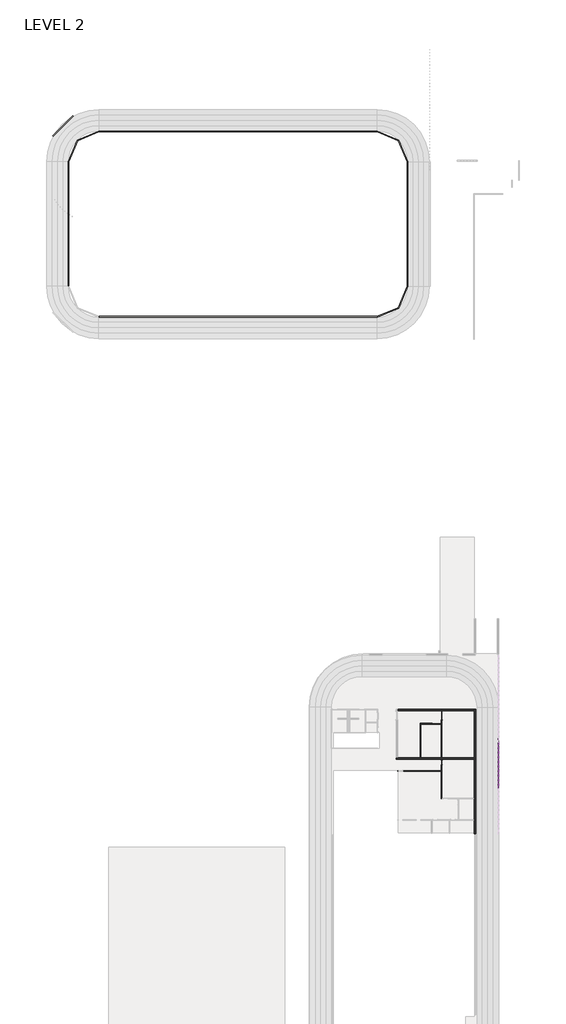
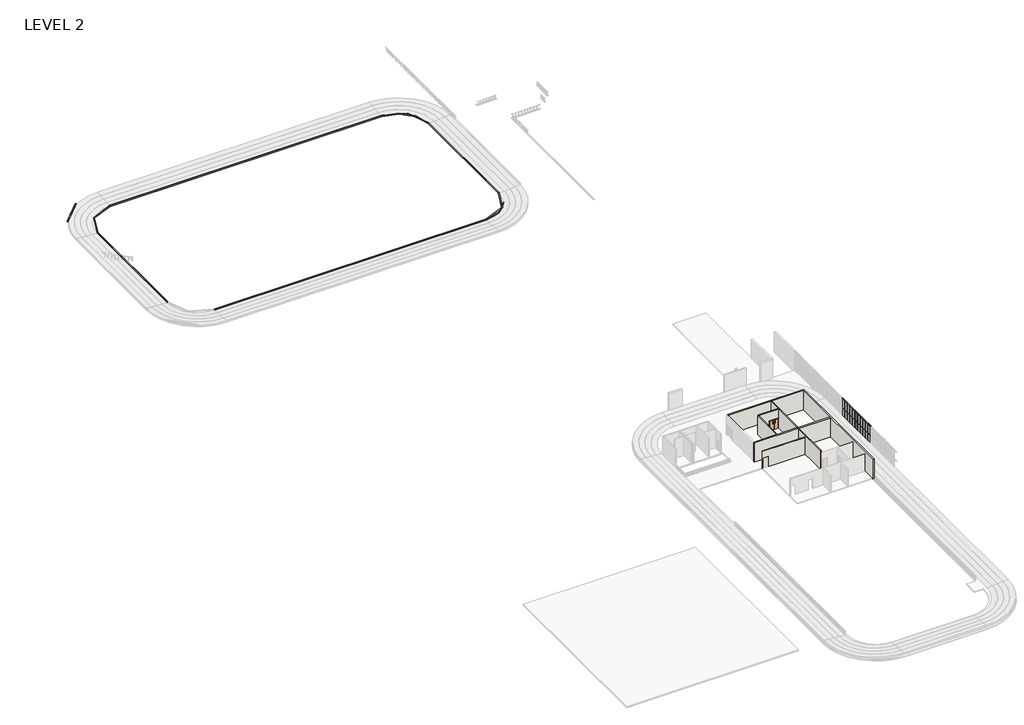
# One storey, part 12 of 16: 52 members, 22 plates, 15 walls, 3 doors.
"""IFC4 building model written with IfcOpenShell, lengths in millimetres."""

import ifcopenshell
import ifcopenshell.guid

model = None  # the IFC model being written
_history = None  # IfcOwnerHistory: only IFC2X3 demands one
_inside = {}  # id of a spatial element -> (the spatial element, [elements in it])
_under = {}  # id of a project, library or spatial element -> (it, [spatial elements below it])
_declared = {}  # id of a project -> (the project, [libraries it declares])
_typed = {}  # id of a type object -> (the type object, [elements of that type])
_made_of = {}  # id of a material, layer set ... -> (it, [elements and type objects made of it])


def new_model(schema):
    """Start an empty IFC model of exactly this schema.

    Asked for "IFC4X3", IfcOpenShell would pick the latest addendum, in which some entities
    have other attributes; the version numbers below select the first issue.
    IFC2X3 requires an IfcOwnerHistory on every rooted entity: one is made here for all.
    """
    global model, _history
    if schema == "IFC4X3":
        model = ifcopenshell.file(schema_version=(4, 3, 0, 0))
    else:
        model = ifcopenshell.file(schema=schema)
    _inside.clear()
    _under.clear()
    _declared.clear()
    _typed.clear()
    _made_of.clear()
    _history = None
    if model.schema == "IFC2X3":
        org = make("IfcOrganization", Name="unknown")
        user = make(
            "IfcPersonAndOrganization",
            ThePerson=make("IfcPerson", FamilyName="unknown"),
            TheOrganization=org,
        )
        app = make(
            "IfcApplication",
            ApplicationDeveloper=org,
            Version="unknown",
            ApplicationFullName="unknown",
            ApplicationIdentifier="unknown",
        )
        _history = make(
            "IfcOwnerHistory",
            OwningUser=user,
            OwningApplication=app,
            ChangeAction="ADDED",
            CreationDate=0,
        )
    return model


def make(cls, **values):
    """One entity of the class cls with the attributes given. An attribute that is None is left unset."""
    return model.create_entity(
        cls, **{name: value for name, value in values.items() if value is not None}
    )


def rooted(cls, **values):
    """An entity with a GlobalId (a new one), such as an element, a storey or a relation."""
    return make(cls, GlobalId=ifcopenshell.guid.new(), OwnerHistory=_history, **values)


def si_unit(unit_type, name, prefix=None):
    """IfcSIUnit, for example si_unit("LENGTHUNIT", "METRE", prefix="MILLI")."""
    return make("IfcSIUnit", UnitType=unit_type, Prefix=prefix, Name=name)


def assignment(units):
    """IfcUnitAssignment: the units of a project."""
    return None if units is None else make("IfcUnitAssignment", Units=units)


def point(xyz):
    """IfcCartesianPoint."""
    return None if xyz is None else make("IfcCartesianPoint", Coordinates=xyz)


def direction(xyz):
    """IfcDirection."""
    return None if xyz is None else make("IfcDirection", DirectionRatios=xyz)


def frame(location, z_axis=None, x_axis=None):
    """IfcAxis2Placement3D, a coordinate frame: its origin and axes. An axis left out is left unset."""
    return make(
        "IfcAxis2Placement3D",
        Location=point(location),
        Axis=direction(z_axis),
        RefDirection=direction(x_axis),
    )


def frame_2d(location, x_axis=None):
    """IfcAxis2Placement2D, a coordinate frame in the plane: its origin and x axis."""
    return make(
        "IfcAxis2Placement2D", Location=point(location), RefDirection=direction(x_axis)
    )


def origin():
    """The frame at (0, 0, 0) with its axes left unset."""
    return frame((0.0, 0.0, 0.0))


def origin_with_axes():
    """The frame at (0, 0, 0) with the z axis (0, 0, 1) and the x axis (1, 0, 0) written out."""
    return frame((0.0, 0.0, 0.0), z_axis=(0.0, 0.0, 1.0), x_axis=(1.0, 0.0, 0.0))


def place(relative_to, where):
    """IfcLocalPlacement: puts the frame where relative to a parent placement (None: the world)."""
    return make(
        "IfcLocalPlacement", PlacementRelTo=relative_to, RelativePlacement=where
    )


def context(
    kind, dimensions, precision=None, world=None, true_north=None, identifier=None
):
    """IfcGeometricRepresentationContext, for example the 3D "Model" context."""
    return make(
        "IfcGeometricRepresentationContext",
        ContextIdentifier=identifier,
        ContextType=kind,
        CoordinateSpaceDimension=dimensions,
        Precision=precision,
        WorldCoordinateSystem=world,
        TrueNorth=true_north,
    )


def project(units=None, contexts=None):
    """IfcProject with its units and contexts."""
    return rooted(
        "IfcProject",
        Name="project",
        RepresentationContexts=contexts,
        UnitsInContext=assignment(units),
    )


def spatial(cls, under=None, at=None, **own):
    """A site, building, storey or space (cls), placed at a placement, below another one or the project."""
    s = rooted(cls, ObjectPlacement=at, **own)
    if under is not None:
        _under.setdefault(under.id(), (under, []))[1].append(s)
    return s


def polyline(points):
    """IfcPolyline through the points."""
    return make("IfcPolyline", Points=[point(p) for p in points])


def circle_curve(where, radius):
    """IfcCircle in the frame where."""
    return make("IfcCircle", Position=where, Radius=radius)


def trimmed(basis, trim1, trim2, sense, master):
    """IfcTrimmedCurve: the piece of a basis curve between two trims."""
    return make(
        "IfcTrimmedCurve",
        BasisCurve=basis,
        Trim1=trim1,
        Trim2=trim2,
        SenseAgreement=sense,
        MasterRepresentation=master,
    )


def segment(curve, same_sense, transition):
    """IfcCompositeCurveSegment."""
    return make(
        "IfcCompositeCurveSegment",
        Transition=transition,
        SameSense=same_sense,
        ParentCurve=curve,
    )


def composite_curve(segments, self_intersect=None):
    """IfcCompositeCurve: segments joined end to end."""
    return make("IfcCompositeCurve", Segments=segments, SelfIntersect=self_intersect)


def outline(outer, holes=None, kind="AREA"):
    """IfcArbitraryClosedProfileDef: a profile drawn as a closed curve; with holes, ...WithVoids."""
    if holes is None:
        return make("IfcArbitraryClosedProfileDef", ProfileType=kind, OuterCurve=outer)
    return make(
        "IfcArbitraryProfileDefWithVoids",
        ProfileType=kind,
        OuterCurve=outer,
        InnerCurves=holes,
    )


def extrude(swept, where, along, depth):
    """IfcExtrudedAreaSolid: the profile swept, set in the frame where, extruded along a direction by depth."""
    return make(
        "IfcExtrudedAreaSolid",
        SweptArea=swept,
        Position=where,
        ExtrudedDirection=direction(along),
        Depth=depth,
    )


def faces_of(points, faces, orient=None, outer=None):
    """IfcFace entities. A face is a list of loops; a loop is a list of indices into points, from 0.

    orient and outer hold one flag for each loop. By default every Orientation is true, the
    first loop of a face is its IfcFaceOuterBound and the others are IfcFaceBound.
    """
    made = []
    for i, loops in enumerate(faces):
        bounds = []
        for j, loop in enumerate(loops):
            is_outer = j == 0 if outer is None else outer[i][j]
            bounds.append(
                make(
                    "IfcFaceOuterBound" if is_outer else "IfcFaceBound",
                    Bound=make("IfcPolyLoop", Polygon=[points[k] for k in loop]),
                    Orientation=True if orient is None else orient[i][j],
                )
            )
        made.append(make("IfcFace", Bounds=bounds))
    return made


def faceted_brep(points, faces, orient=None, outer=None, voids=None):
    """IfcFacetedBrep: a solid bounded by flat faces; with voids (closed shells), ...WithVoids."""
    shared = [point(p) for p in points]
    hull = make("IfcClosedShell", CfsFaces=faces_of(shared, faces, orient, outer))
    if voids is None:
        return make("IfcFacetedBrep", Outer=hull)
    return make(
        "IfcFacetedBrepWithVoids",
        Outer=hull,
        Voids=[
            make(cls, CfsFaces=faces_of(shared, fs, o, b)) for cls, fs, o, b in voids
        ],
    )


def shape(context_of_items, identifier, shape_type, items):
    """IfcShapeRepresentation: the items that make up one representation, for example the "Body"."""
    return make(
        "IfcShapeRepresentation",
        ContextOfItems=context_of_items,
        RepresentationIdentifier=identifier,
        RepresentationType=shape_type,
        Items=items,
    )


def source(mapping_origin, context_of_items, identifier, shape_type, items):
    """IfcRepresentationMap: a shape defined once, which mapped items show again and again."""
    return make(
        "IfcRepresentationMap",
        MappingOrigin=mapping_origin,
        MappedRepresentation=shape(context_of_items, identifier, shape_type, items),
    )


def transform(
    local_origin,
    x_axis=None,
    y_axis=None,
    z_axis=None,
    scale=None,
    scale2=None,
    scale3=None,
    uniform=True,
):
    """IfcCartesianTransformationOperator3D, or its non-uniform kind. x_axis, y_axis, z_axis: its Axis1, 2, 3."""
    if uniform:
        return make(
            "IfcCartesianTransformationOperator3D",
            Axis1=direction(x_axis),
            Axis2=direction(y_axis),
            LocalOrigin=point(local_origin),
            Scale=scale,
            Axis3=direction(z_axis),
        )
    return make(
        "IfcCartesianTransformationOperator3DnonUniform",
        Axis1=direction(x_axis),
        Axis2=direction(y_axis),
        LocalOrigin=point(local_origin),
        Scale=scale,
        Axis3=direction(z_axis),
        Scale2=scale2,
        Scale3=scale3,
    )


def mapped(mapping_source, mapping_target):
    """IfcMappedItem: shows the shape of a source again, moved by a transform."""
    return make(
        "IfcMappedItem", MappingSource=mapping_source, MappingTarget=mapping_target
    )


def made_of(thing, what):
    """Note that an element or type object is made of a material, layer set ...; save() writes the relation."""
    if what is not None:
        _made_of.setdefault(what.id(), (what, []))[1].append(thing)
    return thing


def element(
    cls,
    number,
    at=None,
    inside=None,
    cuts=None,
    type_object=None,
    material=None,
    context=None,
    identifier="Body",
    shape_type=None,
    held_by="IfcProductDefinitionShape",
    body=None,
    shapes=None,
    **own,
):
    """One element of the class cls, such as IfcWall. Its Tag is "e" and its number.

    at: its placement. inside: the storey or other place that contains it. cuts: it is an
    opening in that element (IfcRelVoidsElement). A single representation is given by context,
    identifier, shape_type and body (its items); several are given by shapes. held_by: the class
    of the entity that holds the representations. save() writes the other relations.
    """
    e = rooted(cls, Tag="e%d" % number, ObjectPlacement=at, **own)
    if body is not None:
        shapes = [shape(context, identifier, shape_type, body)]
    if shapes is not None:
        e.Representation = make(held_by, Representations=shapes)
    if inside is not None:
        _inside.setdefault(inside.id(), (inside, []))[1].append(e)
    if cuts is not None:
        rooted(
            "IfcRelVoidsElement", RelatingBuildingElement=cuts, RelatedOpeningElement=e
        )
    if type_object is not None:
        _typed.setdefault(type_object.id(), (type_object, []))[1].append(e)
    return made_of(e, material)


def aggregate(whole, parts):
    """IfcRelAggregates: a whole, such as a stair, and the parts it consists of."""
    return rooted("IfcRelAggregates", RelatingObject=whole, RelatedObjects=parts)


def save(model, path):
    """Write the relations noted so far, then the file.

    IfcRelAggregates (storeys below a building ...), IfcRelContainedInSpatialStructure (elements
    in a storey), IfcRelDefinesByType, IfcRelAssociatesMaterial and IfcRelDeclares: one each for
    every whole, place, type object, material and project.
    """
    for whole, parts in _under.values():
        aggregate(whole, parts)
    for where, things in _inside.values():
        rooted(
            "IfcRelContainedInSpatialStructure",
            RelatedElements=things,
            RelatingStructure=where,
        )
    for kind, things in _typed.values():
        rooted("IfcRelDefinesByType", RelatedObjects=things, RelatingType=kind)
    for what, things in _made_of.values():
        rooted("IfcRelAssociatesMaterial", RelatedObjects=things, RelatingMaterial=what)
    for by, libraries in _declared.values():
        rooted("IfcRelDeclares", RelatingContext=by, RelatedDefinitions=libraries)
    model.write(path)


def door_e7dd96ba(model_context):
    return source(origin(), model_context, "Body", "SweptSolid", [
        extrude(outline(polyline([(2133.6, 0.0), (2133.6, -863.6), (0.0, -863.6), (0.0, 0.0), (2133.6, 0.0)]), holes=[polyline([(1981.2, -279.4), (1981.2, -152.4), (1346.2, -152.4), (1346.2, -279.4), (1981.2, -279.4)])]), frame((0.0, -76.2, 0.0), z_axis=(0.0, 1.0, 0.0), x_axis=(0.0, 0.0, 1.0)), (0.0, 0.0, 1.0), 50.8),
        extrude(outline(polyline([(2133.6, 0.0), (0.0, 0.0), (0.0, 863.6), (2133.6, 863.6), (2133.6, 0.0)]), holes=[polyline([(1981.2, 279.4), (1346.2, 279.4), (1346.2, 152.4), (1981.2, 152.4), (1981.2, 279.4)])]), frame((0.0, -76.2, 0.0), z_axis=(0.0, 1.0, 0.0), x_axis=(0.0, 0.0, 1.0)), (0.0, 0.0, 1.0), 50.8),
        extrude(outline(polyline([(2133.6, -863.6), (2133.6, 863.6), (0.0, 863.6), (0.0, 939.8), (2209.8, 939.8), (2209.8, -939.8), (0.0, -939.8), (0.0, -863.6), (2133.6, -863.6)])), frame((0.0, 61.9125, 0.0), z_axis=(0.0, 1.0, 0.0), x_axis=(0.0, 0.0, 1.0)), (0.0, 0.0, 1.0), 25.4),
        extrude(outline(polyline([(2133.6, -863.6), (2133.6, 863.6), (0.0, 863.6), (0.0, 939.8), (2209.8, 939.8), (2209.8, -939.8), (0.0, -939.8), (0.0, -863.6), (2133.6, -863.6)])), frame((0.0, -87.3125, 0.0), z_axis=(0.0, 1.0, 0.0), x_axis=(0.0, 0.0, 1.0)), (0.0, 0.0, 1.0), 25.4),
    ])


def door_0c51e390(model_context):
    return source(origin(), model_context, "Body", "SweptSolid", [
        extrude(outline(polyline([(457.2, -23.8125), (457.2, -61.9125), (-457.2, -61.9125), (-457.2, -23.8125), (457.2, -23.8125)])), origin_with_axes(), (0.0, 0.0, 1.0), 2133.6),
        extrude(outline(polyline([(2184.4, -508.0), (0.0, -508.0), (0.0, -457.2), (2133.6, -457.2), (2133.6, 457.2), (0.0, 457.2), (0.0, 508.0), (2184.4, 508.0), (2184.4, -508.0)])), frame((0.0, -87.3125, 0.0), z_axis=(0.0, 1.0, 0.0), x_axis=(0.0, 0.0, 1.0)), (0.0, 0.0, 1.0), 25.4),
        extrude(outline(polyline([(2184.4, 508.0), (2184.4, -508.0), (0.0, -508.0), (0.0, -457.2), (2133.6, -457.2), (2133.6, 457.2), (0.0, 457.2), (0.0, 508.0), (2184.4, 508.0)])), frame((0.0, 61.9125, 0.0), z_axis=(0.0, 1.0, 0.0), x_axis=(0.0, 0.0, 1.0)), (0.0, 0.0, 1.0), 25.4),
    ])


def member_072f1b56(model_context):
    return source(origin(), model_context, "Body", "SweptSolid", [
        extrude(outline(polyline([(0.0, 57.15), (0.0, -57.15), (-38.1, -57.15), (-38.1, 57.15), (0.0, 57.15)])), frame((0.0, 0.0, -872.5829268), z_axis=(0.0, 0.0, 1.0), x_axis=(1.0, 0.0, 0.0)), (0.0, 0.0, 1.0), 872.5829268),
    ])


def member_8de00327(model_context):
    return source(origin(), model_context, "Body", "SweptSolid", [
        extrude(outline(polyline([(19.05, 57.15), (19.05, -57.15), (-19.05, -57.15), (-19.05, 57.15), (19.05, 57.15)])), frame((0.0, 0.0, -872.5829268), z_axis=(0.0, 0.0, 1.0), x_axis=(1.0, 0.0, 0.0)), (0.0, 0.0, 1.0), 872.5829268),
    ])


def member_20b68123(model_context):
    return source(origin(), model_context, "Body", "SweptSolid", [
        extrude(outline(polyline([(19.05, 57.15), (19.05, -57.15), (-19.05, -57.15), (-19.05, 57.15), (19.05, 57.15)])), frame((0.0, 0.0, -2133.6), z_axis=(0.0, 0.0, 1.0), x_axis=(1.0, 0.0, 0.0)), (0.0, 0.0, 1.0), 2133.6),
    ])


def member_2f7a45a5(model_context):
    return source(origin(), model_context, "Body", "SweptSolid", [
        extrude(outline(polyline([(19.05, 57.15), (19.05, -57.15), (-19.05, -57.15), (-19.05, 57.15), (19.05, 57.15)])), frame((0.0, 0.0, -1981.2), z_axis=(0.0, 0.0, 1.0), x_axis=(1.0, 0.0, 0.0)), (0.0, 0.0, 1.0), 1981.2),
    ])


def system_panel_glazed_ce3e5be7(model_context):
    return source(origin(), model_context, "Body", "SweptSolid", [
        extrude(outline(polyline([(436.2914634, 19.05), (-436.2914634, 19.05), (-436.2914634, 44.45), (436.2914634, 44.45), (436.2914634, 19.05)])), origin_with_axes(), (0.0, 0.0, 1.0), 2076.45),
    ])


def system_panel_glazed_e152a49e(model_context):
    return source(origin(), model_context, "Body", "SweptSolid", [
        extrude(outline(polyline([(436.2914634, 19.05), (-436.2914634, 19.05), (-436.2914634, 44.45), (436.2914634, 44.45), (436.2914634, 19.05)])), origin_with_axes(), (0.0, 0.0, 1.0), 1924.05),
    ])


model = new_model("IFC4")

# Units and contexts
model_context = context("Model", 3, world=origin())
ifc_project = project(units=[si_unit("LENGTHUNIT", "METRE", prefix="MILLI")], contexts=[model_context])

# Site, building, storey
site = spatial("IfcSite", under=ifc_project)
building = spatial("IfcBuilding", under=site)
storey = spatial("IfcBuildingStorey", under=building, Name="LEVEL 2", Elevation=4267.2)

# Doors
placement = place(None, origin())
door_shape = door_e7dd96ba(model_context)
element("IfcDoor", 1, ObjectType="Double-Flush view panel : 68\" x 84\"", at=placement, inside=storey, context=model_context, shape_type="MappedRepresentation", body=[
    mapped(door_shape, transform((259604.0280266, -499393.3627525, 4267.2), x_axis=(1.0, 0.0, 0.0), y_axis=(0.0, 1.0, 0.0), z_axis=(0.0, 0.0, 1.0))),
])
element("IfcDoor", 2, ObjectType="Double-Flush view panel : 68\" x 84\"", at=placement, inside=storey, context=model_context, shape_type="MappedRepresentation", body=[
    mapped(door_shape, transform((260594.6280266, -497742.3627525, 4267.2), x_axis=(0.0, 1.0, 0.0), y_axis=(-1.0, 0.0, 0.0), z_axis=(0.0, 0.0, 1.0))),
])
door_2_shape = door_0c51e390(model_context)
element("IfcDoor", 3, ObjectType="Single-Flush : 36\" x 84\"", at=placement, inside=storey, context=model_context, shape_type="MappedRepresentation", body=[
    mapped(door_2_shape, transform((260594.6280266, -507056.6485133, 4267.2), x_axis=(0.0, 1.0, 0.0), y_axis=(-1.0, 0.0, 0.0), z_axis=(0.0, 0.0, 1.0))),
])

# Members
member_shape = member_072f1b56(model_context)
element("IfcMember", 4, ObjectType="Rectangular Mullion : 1.5\" x 2.5\" rectangular", at=placement, inside=storey, context=model_context, shape_type="MappedRepresentation", body=[
    mapped(member_shape, transform((271891.2780266, -511297.1347037, 8382.0), x_axis=(0.0, 0.0, 1.0), y_axis=(1.0, 0.0, 0.0), z_axis=(0.0, 1.0, 0.0))),
])
element("IfcMember", 5, ObjectType="Rectangular Mullion : 1.5\" x 2.5\" rectangular", at=placement, inside=storey, context=model_context, shape_type="MappedRepresentation", body=[
    mapped(member_shape, transform((271891.2780266, -510386.4517769, 8382.0), x_axis=(0.0, 0.0, 1.0), y_axis=(1.0, 0.0, 0.0), z_axis=(0.0, 1.0, 0.0))),
])
element("IfcMember", 6, ObjectType="Rectangular Mullion : 1.5\" x 2.5\" rectangular", at=placement, inside=storey, context=model_context, shape_type="MappedRepresentation", body=[
    mapped(member_shape, transform((271891.2780266, -509475.7688501, 8382.0), x_axis=(0.0, 0.0, 1.0), y_axis=(1.0, 0.0, 0.0), z_axis=(0.0, 1.0, 0.0))),
])
element("IfcMember", 7, ObjectType="Rectangular Mullion : 1.5\" x 2.5\" rectangular", at=placement, inside=storey, context=model_context, shape_type="MappedRepresentation", body=[
    mapped(member_shape, transform((271891.2780266, -508565.0859232, 8382.0), x_axis=(0.0, 0.0, 1.0), y_axis=(1.0, 0.0, 0.0), z_axis=(0.0, 1.0, 0.0))),
])
element("IfcMember", 8, ObjectType="Rectangular Mullion : 1.5\" x 2.5\" rectangular", at=placement, inside=storey, context=model_context, shape_type="MappedRepresentation", body=[
    mapped(member_shape, transform((271891.2780266, -507654.4029964, 8382.0), x_axis=(0.0, 0.0, 1.0), y_axis=(1.0, 0.0, 0.0), z_axis=(0.0, 1.0, 0.0))),
])
element("IfcMember", 9, ObjectType="Rectangular Mullion : 1.5\" x 2.5\" rectangular", at=placement, inside=storey, context=model_context, shape_type="MappedRepresentation", body=[
    mapped(member_shape, transform((271891.2780266, -506743.7200696, 8382.0), x_axis=(0.0, 0.0, 1.0), y_axis=(1.0, 0.0, 0.0), z_axis=(0.0, 1.0, 0.0))),
])
element("IfcMember", 10, ObjectType="Rectangular Mullion : 1.5\" x 2.5\" rectangular", at=placement, inside=storey, context=model_context, shape_type="MappedRepresentation", body=[
    mapped(member_shape, transform((271891.2780266, -505833.0371427, 8382.0), x_axis=(0.0, 0.0, 1.0), y_axis=(1.0, 0.0, 0.0), z_axis=(0.0, 1.0, 0.0))),
])
element("IfcMember", 11, ObjectType="Rectangular Mullion : 1.5\" x 2.5\" rectangular", at=placement, inside=storey, context=model_context, shape_type="MappedRepresentation", body=[
    mapped(member_shape, transform((271891.2780266, -504922.3542159, 8382.0), x_axis=(0.0, 0.0, 1.0), y_axis=(1.0, 0.0, 0.0), z_axis=(0.0, 1.0, 0.0))),
])
element("IfcMember", 12, ObjectType="Rectangular Mullion : 1.5\" x 2.5\" rectangular", at=placement, inside=storey, context=model_context, shape_type="MappedRepresentation", body=[
    mapped(member_shape, transform((271891.2780266, -504011.6712891, 8382.0), x_axis=(0.0, 0.0, 1.0), y_axis=(1.0, 0.0, 0.0), z_axis=(0.0, 1.0, 0.0))),
])
element("IfcMember", 13, ObjectType="Rectangular Mullion : 1.5\" x 2.5\" rectangular", at=placement, inside=storey, context=model_context, shape_type="MappedRepresentation", body=[
    mapped(member_shape, transform((271891.2780266, -503100.9883622, 8382.0), x_axis=(0.0, 0.0, 1.0), y_axis=(1.0, 0.0, 0.0), z_axis=(0.0, 1.0, 0.0))),
])
element("IfcMember", 14, ObjectType="Rectangular Mullion : 1.5\" x 2.5\" rectangular", at=placement, inside=storey, context=model_context, shape_type="MappedRepresentation", body=[
    mapped(member_shape, transform((271891.2780266, -502190.3054354, 8382.0), x_axis=(0.0, 0.0, 1.0), y_axis=(1.0, 0.0, 0.0), z_axis=(0.0, 1.0, 0.0))),
])
element("IfcMember", 15, ObjectType="Rectangular Mullion : 1.5\" x 2.5\" rectangular", at=placement, inside=storey, context=model_context, shape_type="MappedRepresentation", body=[
    mapped(member_shape, transform((271891.2780266, -511259.0347037, 4267.2), x_axis=(0.0, 0.0, -1.0), y_axis=(1.0, 0.0, 0.0), z_axis=(0.0, -1.0, 0.0))),
])
element("IfcMember", 16, ObjectType="Rectangular Mullion : 1.5\" x 2.5\" rectangular", at=placement, inside=storey, context=model_context, shape_type="MappedRepresentation", body=[
    mapped(member_shape, transform((271891.2780266, -510348.3517769, 4267.2), x_axis=(0.0, 0.0, -1.0), y_axis=(1.0, 0.0, 0.0), z_axis=(0.0, -1.0, 0.0))),
])
element("IfcMember", 17, ObjectType="Rectangular Mullion : 1.5\" x 2.5\" rectangular", at=placement, inside=storey, context=model_context, shape_type="MappedRepresentation", body=[
    mapped(member_shape, transform((271891.2780266, -509437.6688501, 4267.2), x_axis=(0.0, 0.0, -1.0), y_axis=(1.0, 0.0, 0.0), z_axis=(0.0, -1.0, 0.0))),
])
element("IfcMember", 18, ObjectType="Rectangular Mullion : 1.5\" x 2.5\" rectangular", at=placement, inside=storey, context=model_context, shape_type="MappedRepresentation", body=[
    mapped(member_shape, transform((271891.2780266, -508526.9859232, 4267.2), x_axis=(0.0, 0.0, -1.0), y_axis=(1.0, 0.0, 0.0), z_axis=(0.0, -1.0, 0.0))),
])
element("IfcMember", 19, ObjectType="Rectangular Mullion : 1.5\" x 2.5\" rectangular", at=placement, inside=storey, context=model_context, shape_type="MappedRepresentation", body=[
    mapped(member_shape, transform((271891.2780266, -507616.3029964, 4267.2), x_axis=(0.0, 0.0, -1.0), y_axis=(1.0, 0.0, 0.0), z_axis=(0.0, -1.0, 0.0))),
])
element("IfcMember", 20, ObjectType="Rectangular Mullion : 1.5\" x 2.5\" rectangular", at=placement, inside=storey, context=model_context, shape_type="MappedRepresentation", body=[
    mapped(member_shape, transform((271891.2780266, -506705.6200696, 4267.2), x_axis=(0.0, 0.0, -1.0), y_axis=(1.0, 0.0, 0.0), z_axis=(0.0, -1.0, 0.0))),
])
element("IfcMember", 21, ObjectType="Rectangular Mullion : 1.5\" x 2.5\" rectangular", at=placement, inside=storey, context=model_context, shape_type="MappedRepresentation", body=[
    mapped(member_shape, transform((271891.2780266, -505794.9371427, 4267.2), x_axis=(0.0, 0.0, -1.0), y_axis=(1.0, 0.0, 0.0), z_axis=(0.0, -1.0, 0.0))),
])
element("IfcMember", 22, ObjectType="Rectangular Mullion : 1.5\" x 2.5\" rectangular", at=placement, inside=storey, context=model_context, shape_type="MappedRepresentation", body=[
    mapped(member_shape, transform((271891.2780266, -504884.2542159, 4267.2), x_axis=(0.0, 0.0, -1.0), y_axis=(1.0, 0.0, 0.0), z_axis=(0.0, -1.0, 0.0))),
])
element("IfcMember", 23, ObjectType="Rectangular Mullion : 1.5\" x 2.5\" rectangular", at=placement, inside=storey, context=model_context, shape_type="MappedRepresentation", body=[
    mapped(member_shape, transform((271891.2780266, -503973.5712891, 4267.2), x_axis=(0.0, 0.0, -1.0), y_axis=(1.0, 0.0, 0.0), z_axis=(0.0, -1.0, 0.0))),
])
element("IfcMember", 24, ObjectType="Rectangular Mullion : 1.5\" x 2.5\" rectangular", at=placement, inside=storey, context=model_context, shape_type="MappedRepresentation", body=[
    mapped(member_shape, transform((271891.2780266, -503062.8883622, 4267.2), x_axis=(0.0, 0.0, -1.0), y_axis=(1.0, 0.0, 0.0), z_axis=(0.0, -1.0, 0.0))),
])
element("IfcMember", 25, ObjectType="Rectangular Mullion : 1.5\" x 2.5\" rectangular", at=placement, inside=storey, context=model_context, shape_type="MappedRepresentation", body=[
    mapped(member_shape, transform((271891.2780266, -502152.2054354, 4267.2), x_axis=(0.0, 0.0, -1.0), y_axis=(1.0, 0.0, 0.0), z_axis=(0.0, -1.0, 0.0))),
])
member_2_shape = member_8de00327(model_context)
element("IfcMember", 26, ObjectType="Rectangular Mullion : 1.5\" x 2.5\" rectangular", at=placement, inside=storey, context=model_context, shape_type="MappedRepresentation", body=[
    mapped(member_2_shape, transform((271891.2780266, -511297.1347037, 6400.8), x_axis=(0.0, 0.0, 1.0), y_axis=(1.0, 0.0, 0.0), z_axis=(0.0, 1.0, 0.0))),
])
element("IfcMember", 27, ObjectType="Rectangular Mullion : 1.5\" x 2.5\" rectangular", at=placement, inside=storey, context=model_context, shape_type="MappedRepresentation", body=[
    mapped(member_2_shape, transform((271891.2780266, -510386.4517769, 6400.8), x_axis=(0.0, 0.0, 1.0), y_axis=(1.0, 0.0, 0.0), z_axis=(0.0, 1.0, 0.0))),
])
element("IfcMember", 28, ObjectType="Rectangular Mullion : 1.5\" x 2.5\" rectangular", at=placement, inside=storey, context=model_context, shape_type="MappedRepresentation", body=[
    mapped(member_2_shape, transform((271891.2780266, -509475.7688501, 6400.8), x_axis=(0.0, 0.0, 1.0), y_axis=(1.0, 0.0, 0.0), z_axis=(0.0, 1.0, 0.0))),
])
element("IfcMember", 29, ObjectType="Rectangular Mullion : 1.5\" x 2.5\" rectangular", at=placement, inside=storey, context=model_context, shape_type="MappedRepresentation", body=[
    mapped(member_2_shape, transform((271891.2780266, -508565.0859232, 6400.8), x_axis=(0.0, 0.0, 1.0), y_axis=(1.0, 0.0, 0.0), z_axis=(0.0, 1.0, 0.0))),
])
element("IfcMember", 30, ObjectType="Rectangular Mullion : 1.5\" x 2.5\" rectangular", at=placement, inside=storey, context=model_context, shape_type="MappedRepresentation", body=[
    mapped(member_2_shape, transform((271891.2780266, -507654.4029964, 6400.8), x_axis=(0.0, 0.0, 1.0), y_axis=(1.0, 0.0, 0.0), z_axis=(0.0, 1.0, 0.0))),
])
element("IfcMember", 31, ObjectType="Rectangular Mullion : 1.5\" x 2.5\" rectangular", at=placement, inside=storey, context=model_context, shape_type="MappedRepresentation", body=[
    mapped(member_2_shape, transform((271891.2780266, -506743.7200696, 6400.8), x_axis=(0.0, 0.0, 1.0), y_axis=(1.0, 0.0, 0.0), z_axis=(0.0, 1.0, 0.0))),
])
element("IfcMember", 32, ObjectType="Rectangular Mullion : 1.5\" x 2.5\" rectangular", at=placement, inside=storey, context=model_context, shape_type="MappedRepresentation", body=[
    mapped(member_2_shape, transform((271891.2780266, -505833.0371427, 6400.8), x_axis=(0.0, 0.0, 1.0), y_axis=(1.0, 0.0, 0.0), z_axis=(0.0, 1.0, 0.0))),
])
element("IfcMember", 33, ObjectType="Rectangular Mullion : 1.5\" x 2.5\" rectangular", at=placement, inside=storey, context=model_context, shape_type="MappedRepresentation", body=[
    mapped(member_2_shape, transform((271891.2780266, -504922.3542159, 6400.8), x_axis=(0.0, 0.0, 1.0), y_axis=(1.0, 0.0, 0.0), z_axis=(0.0, 1.0, 0.0))),
])
element("IfcMember", 34, ObjectType="Rectangular Mullion : 1.5\" x 2.5\" rectangular", at=placement, inside=storey, context=model_context, shape_type="MappedRepresentation", body=[
    mapped(member_2_shape, transform((271891.2780266, -504011.6712891, 6400.8), x_axis=(0.0, 0.0, 1.0), y_axis=(1.0, 0.0, 0.0), z_axis=(0.0, 1.0, 0.0))),
])
element("IfcMember", 35, ObjectType="Rectangular Mullion : 1.5\" x 2.5\" rectangular", at=placement, inside=storey, context=model_context, shape_type="MappedRepresentation", body=[
    mapped(member_2_shape, transform((271891.2780266, -503100.9883622, 6400.8), x_axis=(0.0, 0.0, 1.0), y_axis=(1.0, 0.0, 0.0), z_axis=(0.0, 1.0, 0.0))),
])
member_3_shape = member_20b68123(model_context)
element("IfcMember", 36, ObjectType="Rectangular Mullion : 1.5\" x 2.5\" rectangular", at=placement, inside=storey, context=model_context, shape_type="MappedRepresentation", body=[
    mapped(member_3_shape, transform((271891.2780266, -511278.0847037, 4267.2), x_axis=(0.0, 1.0, 0.0), y_axis=(1.0, 0.0, 0.0), z_axis=(0.0, 0.0, -1.0))),
])
element("IfcMember", 37, ObjectType="Rectangular Mullion : 1.5\" x 2.5\" rectangular", at=placement, inside=storey, context=model_context, shape_type="MappedRepresentation", body=[
    mapped(member_3_shape, transform((271891.2780266, -510367.4017769, 4267.2), x_axis=(0.0, 1.0, 0.0), y_axis=(1.0, 0.0, 0.0), z_axis=(0.0, 0.0, -1.0))),
])
element("IfcMember", 38, ObjectType="Rectangular Mullion : 1.5\" x 2.5\" rectangular", at=placement, inside=storey, context=model_context, shape_type="MappedRepresentation", body=[
    mapped(member_3_shape, transform((271891.2780266, -509456.7188501, 4267.2), x_axis=(0.0, 1.0, 0.0), y_axis=(1.0, 0.0, 0.0), z_axis=(0.0, 0.0, -1.0))),
])
element("IfcMember", 39, ObjectType="Rectangular Mullion : 1.5\" x 2.5\" rectangular", at=placement, inside=storey, context=model_context, shape_type="MappedRepresentation", body=[
    mapped(member_3_shape, transform((271891.2780266, -508546.0359232, 4267.2), x_axis=(0.0, 1.0, 0.0), y_axis=(1.0, 0.0, 0.0), z_axis=(0.0, 0.0, -1.0))),
])
element("IfcMember", 40, ObjectType="Rectangular Mullion : 1.5\" x 2.5\" rectangular", at=placement, inside=storey, context=model_context, shape_type="MappedRepresentation", body=[
    mapped(member_3_shape, transform((271891.2780266, -507635.3529964, 4267.2), x_axis=(0.0, 1.0, 0.0), y_axis=(1.0, 0.0, 0.0), z_axis=(0.0, 0.0, -1.0))),
])
element("IfcMember", 41, ObjectType="Rectangular Mullion : 1.5\" x 2.5\" rectangular", at=placement, inside=storey, context=model_context, shape_type="MappedRepresentation", body=[
    mapped(member_3_shape, transform((271891.2780266, -506724.6700696, 4267.2), x_axis=(0.0, 1.0, 0.0), y_axis=(1.0, 0.0, 0.0), z_axis=(0.0, 0.0, -1.0))),
])
element("IfcMember", 42, ObjectType="Rectangular Mullion : 1.5\" x 2.5\" rectangular", at=placement, inside=storey, context=model_context, shape_type="MappedRepresentation", body=[
    mapped(member_3_shape, transform((271891.2780266, -505813.9871427, 4267.2), x_axis=(0.0, 1.0, 0.0), y_axis=(1.0, 0.0, 0.0), z_axis=(0.0, 0.0, -1.0))),
])
element("IfcMember", 43, ObjectType="Rectangular Mullion : 1.5\" x 2.5\" rectangular", at=placement, inside=storey, context=model_context, shape_type="MappedRepresentation", body=[
    mapped(member_3_shape, transform((271891.2780266, -504903.3042159, 4267.2), x_axis=(0.0, 1.0, 0.0), y_axis=(1.0, 0.0, 0.0), z_axis=(0.0, 0.0, -1.0))),
])
element("IfcMember", 44, ObjectType="Rectangular Mullion : 1.5\" x 2.5\" rectangular", at=placement, inside=storey, context=model_context, shape_type="MappedRepresentation", body=[
    mapped(member_3_shape, transform((271891.2780266, -503992.6212891, 4267.2), x_axis=(0.0, 1.0, 0.0), y_axis=(1.0, 0.0, 0.0), z_axis=(0.0, 0.0, -1.0))),
])
element("IfcMember", 45, ObjectType="Rectangular Mullion : 1.5\" x 2.5\" rectangular", at=placement, inside=storey, context=model_context, shape_type="MappedRepresentation", body=[
    mapped(member_3_shape, transform((271891.2780266, -503081.9383622, 4267.2), x_axis=(0.0, 1.0, 0.0), y_axis=(1.0, 0.0, 0.0), z_axis=(0.0, 0.0, -1.0))),
])
member_4_shape = member_2f7a45a5(model_context)
element("IfcMember", 46, ObjectType="Rectangular Mullion : 1.5\" x 2.5\" rectangular", at=placement, inside=storey, context=model_context, shape_type="MappedRepresentation", body=[
    mapped(member_4_shape, transform((271891.2780266, -511278.0847037, 6400.8), x_axis=(0.0, 1.0, 0.0), y_axis=(1.0, 0.0, 0.0), z_axis=(0.0, 0.0, -1.0))),
])
element("IfcMember", 47, ObjectType="Rectangular Mullion : 1.5\" x 2.5\" rectangular", at=placement, inside=storey, context=model_context, shape_type="MappedRepresentation", body=[
    mapped(member_4_shape, transform((271891.2780266, -510367.4017769, 6400.8), x_axis=(0.0, 1.0, 0.0), y_axis=(1.0, 0.0, 0.0), z_axis=(0.0, 0.0, -1.0))),
])
element("IfcMember", 48, ObjectType="Rectangular Mullion : 1.5\" x 2.5\" rectangular", at=placement, inside=storey, context=model_context, shape_type="MappedRepresentation", body=[
    mapped(member_4_shape, transform((271891.2780266, -509456.7188501, 6400.8), x_axis=(0.0, 1.0, 0.0), y_axis=(1.0, 0.0, 0.0), z_axis=(0.0, 0.0, -1.0))),
])
element("IfcMember", 49, ObjectType="Rectangular Mullion : 1.5\" x 2.5\" rectangular", at=placement, inside=storey, context=model_context, shape_type="MappedRepresentation", body=[
    mapped(member_4_shape, transform((271891.2780266, -508546.0359232, 6400.8), x_axis=(0.0, 1.0, 0.0), y_axis=(1.0, 0.0, 0.0), z_axis=(0.0, 0.0, -1.0))),
])
element("IfcMember", 50, ObjectType="Rectangular Mullion : 1.5\" x 2.5\" rectangular", at=placement, inside=storey, context=model_context, shape_type="MappedRepresentation", body=[
    mapped(member_4_shape, transform((271891.2780266, -507635.3529964, 6400.8), x_axis=(0.0, 1.0, 0.0), y_axis=(1.0, 0.0, 0.0), z_axis=(0.0, 0.0, -1.0))),
])
element("IfcMember", 51, ObjectType="Rectangular Mullion : 1.5\" x 2.5\" rectangular", at=placement, inside=storey, context=model_context, shape_type="MappedRepresentation", body=[
    mapped(member_4_shape, transform((271891.2780266, -506724.6700696, 6400.8), x_axis=(0.0, 1.0, 0.0), y_axis=(1.0, 0.0, 0.0), z_axis=(0.0, 0.0, -1.0))),
])
element("IfcMember", 52, ObjectType="Rectangular Mullion : 1.5\" x 2.5\" rectangular", at=placement, inside=storey, context=model_context, shape_type="MappedRepresentation", body=[
    mapped(member_4_shape, transform((271891.2780266, -505813.9871427, 6400.8), x_axis=(0.0, 1.0, 0.0), y_axis=(1.0, 0.0, 0.0), z_axis=(0.0, 0.0, -1.0))),
])
element("IfcMember", 53, ObjectType="Rectangular Mullion : 1.5\" x 2.5\" rectangular", at=placement, inside=storey, context=model_context, shape_type="MappedRepresentation", body=[
    mapped(member_4_shape, transform((271891.2780266, -504903.3042159, 6400.8), x_axis=(0.0, 1.0, 0.0), y_axis=(1.0, 0.0, 0.0), z_axis=(0.0, 0.0, -1.0))),
])
element("IfcMember", 54, ObjectType="Rectangular Mullion : 1.5\" x 2.5\" rectangular", at=placement, inside=storey, context=model_context, shape_type="MappedRepresentation", body=[
    mapped(member_4_shape, transform((271891.2780266, -503992.6212891, 6400.8), x_axis=(0.0, 1.0, 0.0), y_axis=(1.0, 0.0, 0.0), z_axis=(0.0, 0.0, -1.0))),
])
element("IfcMember", 55, ObjectType="Rectangular Mullion : 1.5\" x 2.5\" rectangular", at=placement, inside=storey, context=model_context, shape_type="MappedRepresentation", body=[
    mapped(member_4_shape, transform((271891.2780266, -503081.9383622, 6400.8), x_axis=(0.0, 1.0, 0.0), y_axis=(1.0, 0.0, 0.0), z_axis=(0.0, 0.0, -1.0))),
])

# Plates
system_panel_glazed_shape = system_panel_glazed_ce3e5be7(model_context)
element("IfcPlate", 56, ObjectType="System Panel : Glazed", at=placement, inside=storey, context=model_context, shape_type="MappedRepresentation", body=[
    mapped(system_panel_glazed_shape, transform((271891.2780266, -511733.4261671, 4305.3), x_axis=(0.0, 1.0, 0.0), y_axis=(-1.0, 0.0, 0.0), z_axis=(0.0, 0.0, 1.0))),
])
element("IfcPlate", 57, ObjectType="System Panel : Glazed", at=placement, inside=storey, context=model_context, shape_type="MappedRepresentation", body=[
    mapped(system_panel_glazed_shape, transform((271891.2780266, -510822.7432403, 4305.3), x_axis=(0.0, 1.0, 0.0), y_axis=(-1.0, 0.0, 0.0), z_axis=(0.0, 0.0, 1.0))),
])
element("IfcPlate", 58, ObjectType="System Panel : Glazed", at=placement, inside=storey, context=model_context, shape_type="MappedRepresentation", body=[
    mapped(system_panel_glazed_shape, transform((271891.2780266, -509912.0603135, 4305.3), x_axis=(0.0, 1.0, 0.0), y_axis=(-1.0, 0.0, 0.0), z_axis=(0.0, 0.0, 1.0))),
])
element("IfcPlate", 59, ObjectType="System Panel : Glazed", at=placement, inside=storey, context=model_context, shape_type="MappedRepresentation", body=[
    mapped(system_panel_glazed_shape, transform((271891.2780266, -509001.3773866, 4305.3), x_axis=(0.0, 1.0, 0.0), y_axis=(-1.0, 0.0, 0.0), z_axis=(0.0, 0.0, 1.0))),
])
element("IfcPlate", 60, ObjectType="System Panel : Glazed", at=placement, inside=storey, context=model_context, shape_type="MappedRepresentation", body=[
    mapped(system_panel_glazed_shape, transform((271891.2780266, -508090.6944598, 4305.3), x_axis=(0.0, 1.0, 0.0), y_axis=(-1.0, 0.0, 0.0), z_axis=(0.0, 0.0, 1.0))),
])
element("IfcPlate", 61, ObjectType="System Panel : Glazed", at=placement, inside=storey, context=model_context, shape_type="MappedRepresentation", body=[
    mapped(system_panel_glazed_shape, transform((271891.2780266, -507180.011533, 4305.3), x_axis=(0.0, 1.0, 0.0), y_axis=(-1.0, 0.0, 0.0), z_axis=(0.0, 0.0, 1.0))),
])
element("IfcPlate", 62, ObjectType="System Panel : Glazed", at=placement, inside=storey, context=model_context, shape_type="MappedRepresentation", body=[
    mapped(system_panel_glazed_shape, transform((271891.2780266, -506269.3286062, 4305.3), x_axis=(0.0, 1.0, 0.0), y_axis=(-1.0, 0.0, 0.0), z_axis=(0.0, 0.0, 1.0))),
])
element("IfcPlate", 63, ObjectType="System Panel : Glazed", at=placement, inside=storey, context=model_context, shape_type="MappedRepresentation", body=[
    mapped(system_panel_glazed_shape, transform((271891.2780266, -505358.6456793, 4305.3), x_axis=(0.0, 1.0, 0.0), y_axis=(-1.0, 0.0, 0.0), z_axis=(0.0, 0.0, 1.0))),
])
element("IfcPlate", 64, ObjectType="System Panel : Glazed", at=placement, inside=storey, context=model_context, shape_type="MappedRepresentation", body=[
    mapped(system_panel_glazed_shape, transform((271891.2780266, -504447.9627525, 4305.3), x_axis=(0.0, 1.0, 0.0), y_axis=(-1.0, 0.0, 0.0), z_axis=(0.0, 0.0, 1.0))),
])
element("IfcPlate", 65, ObjectType="System Panel : Glazed", at=placement, inside=storey, context=model_context, shape_type="MappedRepresentation", body=[
    mapped(system_panel_glazed_shape, transform((271891.2780266, -503537.2798257, 4305.3), x_axis=(0.0, 1.0, 0.0), y_axis=(-1.0, 0.0, 0.0), z_axis=(0.0, 0.0, 1.0))),
])
element("IfcPlate", 66, ObjectType="System Panel : Glazed", at=placement, inside=storey, context=model_context, shape_type="MappedRepresentation", body=[
    mapped(system_panel_glazed_shape, transform((271891.2780266, -502626.5968988, 4305.3), x_axis=(0.0, 1.0, 0.0), y_axis=(-1.0, 0.0, 0.0), z_axis=(0.0, 0.0, 1.0))),
])
system_panel_glazed_2_shape = system_panel_glazed_e152a49e(model_context)
element("IfcPlate", 67, ObjectType="System Panel : Glazed", at=placement, inside=storey, context=model_context, shape_type="MappedRepresentation", body=[
    mapped(system_panel_glazed_2_shape, transform((271891.2780266, -511733.4261671, 6419.85), x_axis=(0.0, 1.0, 0.0), y_axis=(-1.0, 0.0, 0.0), z_axis=(0.0, 0.0, 1.0))),
])
element("IfcPlate", 68, ObjectType="System Panel : Glazed", at=placement, inside=storey, context=model_context, shape_type="MappedRepresentation", body=[
    mapped(system_panel_glazed_2_shape, transform((271891.2780266, -510822.7432403, 6419.85), x_axis=(0.0, 1.0, 0.0), y_axis=(-1.0, 0.0, 0.0), z_axis=(0.0, 0.0, 1.0))),
])
element("IfcPlate", 69, ObjectType="System Panel : Glazed", at=placement, inside=storey, context=model_context, shape_type="MappedRepresentation", body=[
    mapped(system_panel_glazed_2_shape, transform((271891.2780266, -509912.0603135, 6419.85), x_axis=(0.0, 1.0, 0.0), y_axis=(-1.0, 0.0, 0.0), z_axis=(0.0, 0.0, 1.0))),
])
element("IfcPlate", 70, ObjectType="System Panel : Glazed", at=placement, inside=storey, context=model_context, shape_type="MappedRepresentation", body=[
    mapped(system_panel_glazed_2_shape, transform((271891.2780266, -509001.3773866, 6419.85), x_axis=(0.0, 1.0, 0.0), y_axis=(-1.0, 0.0, 0.0), z_axis=(0.0, 0.0, 1.0))),
])
element("IfcPlate", 71, ObjectType="System Panel : Glazed", at=placement, inside=storey, context=model_context, shape_type="MappedRepresentation", body=[
    mapped(system_panel_glazed_2_shape, transform((271891.2780266, -508090.6944598, 6419.85), x_axis=(0.0, 1.0, 0.0), y_axis=(-1.0, 0.0, 0.0), z_axis=(0.0, 0.0, 1.0))),
])
element("IfcPlate", 72, ObjectType="System Panel : Glazed", at=placement, inside=storey, context=model_context, shape_type="MappedRepresentation", body=[
    mapped(system_panel_glazed_2_shape, transform((271891.2780266, -507180.011533, 6419.85), x_axis=(0.0, 1.0, 0.0), y_axis=(-1.0, 0.0, 0.0), z_axis=(0.0, 0.0, 1.0))),
])
element("IfcPlate", 73, ObjectType="System Panel : Glazed", at=placement, inside=storey, context=model_context, shape_type="MappedRepresentation", body=[
    mapped(system_panel_glazed_2_shape, transform((271891.2780266, -506269.3286062, 6419.85), x_axis=(0.0, 1.0, 0.0), y_axis=(-1.0, 0.0, 0.0), z_axis=(0.0, 0.0, 1.0))),
])
element("IfcPlate", 74, ObjectType="System Panel : Glazed", at=placement, inside=storey, context=model_context, shape_type="MappedRepresentation", body=[
    mapped(system_panel_glazed_2_shape, transform((271891.2780266, -505358.6456793, 6419.85), x_axis=(0.0, 1.0, 0.0), y_axis=(-1.0, 0.0, 0.0), z_axis=(0.0, 0.0, 1.0))),
])
element("IfcPlate", 75, ObjectType="System Panel : Glazed", at=placement, inside=storey, context=model_context, shape_type="MappedRepresentation", body=[
    mapped(system_panel_glazed_2_shape, transform((271891.2780266, -504447.9627525, 6419.85), x_axis=(0.0, 1.0, 0.0), y_axis=(-1.0, 0.0, 0.0), z_axis=(0.0, 0.0, 1.0))),
])
element("IfcPlate", 76, ObjectType="System Panel : Glazed", at=placement, inside=storey, context=model_context, shape_type="MappedRepresentation", body=[
    mapped(system_panel_glazed_2_shape, transform((271891.2780266, -503537.2798257, 6419.85), x_axis=(0.0, 1.0, 0.0), y_axis=(-1.0, 0.0, 0.0), z_axis=(0.0, 0.0, 1.0))),
])
element("IfcPlate", 77, ObjectType="System Panel : Glazed", at=placement, inside=storey, context=model_context, shape_type="MappedRepresentation", body=[
    mapped(system_panel_glazed_2_shape, transform((271891.2780266, -502626.5968988, 6419.85), x_axis=(0.0, 1.0, 0.0), y_axis=(-1.0, 0.0, 0.0), z_axis=(0.0, 0.0, 1.0))),
])

# Walls
element("IfcWall", 78, ObjectType="FC - Basic Interior", at=placement, inside=storey, context=model_context, shape_type="Brep", body=[
    faceted_brep([(256341.7155266, -499331.4502525, 4267.2), (256341.7155266, -506087.8502525, 4267.2), (256341.7155266, -506087.8502525, 8382.0), (256341.7155266, -499331.4502525, 8382.0), (256465.5405266, -499331.4502525, 4267.2), (256465.5405266, -499331.4502525, 8382.0), (256465.5405266, -499455.2752525, 8382.0), (256465.5405266, -506087.8502525, 8382.0), (256465.5405266, -506087.8502525, 4267.2), (256465.5405266, -499455.2752525, 4267.2)], [[[0, 1, 2, 3]], [[4, 5, 6, 7, 8, 9]], [[1, 0, 4, 9, 8]], [[3, 2, 7, 6, 5]], [[0, 3, 5, 4]], [[2, 1, 8, 7]]]),
])
element("IfcWall", 79, ObjectType="FC - Basic Interior", at=placement, inside=storey, context=model_context, shape_type="SweptSolid", body=[
    extrude(outline(polyline([(8382.0, 260532.7155266), (8382.0, 256465.5405266), (4267.2, 256465.5405266), (4267.2, 258740.4280266), (6400.8, 258740.4280266), (6400.8, 260467.6280266), (4267.2, 260467.6280266), (4267.2, 260532.7155266), (8382.0, 260532.7155266)])), frame((0.0, -499455.2752525, 0.0), z_axis=(0.0, 1.0, 0.0), x_axis=(0.0, 0.0, 1.0)), (0.0, 0.0, 1.0), 123.825),
])
element("IfcWall", 80, ObjectType="FC - Basic Interior", at=placement, inside=storey, context=model_context, shape_type="Brep", body=[
    faceted_brep([(260656.5405266, -496802.5627525, 4267.2), (260656.5405266, -496802.5627525, 8382.0), (260656.5405266, -506087.8502525, 8382.0), (260656.5405266, -506087.8502525, 4267.2), (260656.5405266, -498605.9627525, 4267.2), (260656.5405266, -498605.9627525, 6400.8), (260656.5405266, -496878.7627525, 6400.8), (260656.5405266, -496878.7627525, 4267.2), (260532.7155266, -496802.5627525, 8382.0), (260532.7155266, -496802.5627525, 4267.2), (260532.7155266, -496878.7627525, 4267.2), (260532.7155266, -496878.7627525, 6400.8), (260532.7155266, -498605.9627525, 6400.8), (260532.7155266, -498605.9627525, 4267.2), (260532.7155266, -506087.8502525, 4267.2), (260532.7155266, -506087.8502525, 8382.0)], [[[0, 1, 2, 3, 4, 5, 6, 7]], [[8, 9, 10, 11, 12, 13, 14, 15]], [[9, 0, 7, 10]], [[13, 4, 3, 14]], [[1, 8, 15, 2]], [[1, 0, 9, 8]], [[6, 11, 10, 7]], [[11, 6, 5, 12]], [[12, 5, 4, 13]], [[3, 2, 15, 14]]]),
    faceted_brep([(260656.5405266, -514281.3610133, 8382.0), (260656.5405266, -514281.3610133, 7924.8), (260656.5405266, -514281.3610133, 4267.2), (260656.5405266, -514157.5360133, 4267.2), (260656.5405266, -507513.8485133, 4267.2), (260656.5405266, -507513.8485133, 6400.8), (260656.5405266, -506599.4485133, 6400.8), (260656.5405266, -506599.4485133, 4267.2), (260656.5405266, -506392.6502525, 4267.2), (260656.5405266, -506392.6502525, 8382.0), (260532.7155266, -514281.3610133, 4267.2), (260532.7155266, -514281.3610133, 8382.0), (260532.7155266, -506392.6502525, 8382.0), (260532.7155266, -506392.6502525, 4267.2), (260532.7155266, -506599.4485133, 4267.2), (260532.7155266, -506599.4485133, 6400.8), (260532.7155266, -507513.8485133, 6400.8), (260532.7155266, -507513.8485133, 4267.2), (260532.7155266, -508671.1360133, 4267.2), (260532.7155266, -508794.9610133, 4267.2)], [[[0, 1, 2, 3, 4, 5, 6, 7, 8, 9]], [[10, 11, 12, 13, 14, 15, 16, 17, 18, 19]], [[2, 10, 19, 18, 17, 4, 3]], [[7, 14, 13, 8]], [[11, 0, 9, 12]], [[9, 8, 13, 12]], [[2, 1, 0, 11, 10]], [[15, 14, 7, 6]], [[16, 15, 6, 5]], [[17, 16, 5, 4]]]),
])
element("IfcWall", 81, ObjectType="FC - Basic Interior", at=placement, inside=storey, context=model_context, shape_type="Brep", body=[
    faceted_brep([(251865.898562, -508794.9610133, 4267.2), (252018.298562, -508794.9610133, 4267.2), (252018.298562, -508794.9610133, 6400.8), (252932.698562, -508794.9610133, 6400.8), (252932.698562, -508794.9610133, 4267.2), (260532.7155266, -508794.9610133, 4267.2), (260532.7155266, -508794.9610133, 7924.8), (251865.898562, -508794.9610133, 7924.8), (252018.298562, -508671.1360133, 6400.8), (252018.298562, -508671.1360133, 4267.2), (251865.898562, -508671.1360133, 4267.2), (251865.898562, -508671.1360133, 7924.8), (260532.7155266, -508671.1360133, 7924.8), (260532.7155266, -508671.1360133, 4267.2), (252932.698562, -508671.1360133, 4267.2), (252932.698562, -508671.1360133, 6400.8), (251865.898562, -508721.9360133, 4267.2)], [[[0, 1, 2, 3, 4, 5, 6, 7]], [[8, 9, 10, 11, 12, 13, 14, 15]], [[14, 13, 5, 4]], [[10, 9, 1, 0, 16]], [[7, 6, 12, 11]], [[0, 7, 11, 10, 16]], [[6, 5, 13, 12]], [[2, 1, 9, 8]], [[3, 2, 8, 15]], [[4, 3, 15, 14]]]),
])
element("IfcWall", 82, ObjectType="FC - Exterior", at=placement, inside=storey, context=model_context, shape_type="Brep", body=[
    faceted_brep([(267071.6280266, -496497.7627525, 4267.2), (267071.6280266, -496802.5627525, 4267.2), (267071.6280266, -521218.7360133, 4267.2), (267071.6280266, -521218.7360133, 8382.0), (267071.6280266, -496802.5627525, 8382.0), (267071.6280266, -496497.7627525, 8382.0), (267376.4280266, -496497.7627525, 4267.2), (267376.4280266, -496497.7627525, 8382.0), (267376.4280266, -521218.7360133, 8382.0), (267376.4280266, -521218.7360133, 4267.2)], [[[0, 1, 2, 3, 4, 5]], [[6, 7, 8, 9]], [[2, 1, 0, 6, 9]], [[3, 2, 9, 8]], [[5, 4, 3, 8, 7]], [[0, 5, 7, 6]]]),
])
element("IfcWall", 83, ObjectType="FC - Exterior", at=placement, inside=storey, context=model_context, shape_type="Brep", body=[
    faceted_brep([(267071.6280266, -506087.8502525, 4267.2), (260656.5405266, -506087.8502525, 4267.2), (260532.7155266, -506087.8502525, 4267.2), (256465.5405266, -506087.8502525, 4267.2), (256341.7155266, -506087.8502525, 4267.2), (251865.898562, -506087.8502525, 4267.2), (251561.098562, -506087.8502525, 4267.2), (251561.098562, -506087.8502525, 8382.0), (251865.898562, -506087.8502525, 8382.0), (256341.7155266, -506087.8502525, 8382.0), (256465.5405266, -506087.8502525, 8382.0), (260532.7155266, -506087.8502525, 8382.0), (260656.5405266, -506087.8502525, 8382.0), (267071.6280266, -506087.8502525, 8382.0), (267071.6280266, -506392.6502525, 4267.2), (267071.6280266, -506392.6502525, 8382.0), (260656.5405266, -506392.6502525, 8382.0), (260532.7155266, -506392.6502525, 8382.0), (251561.098562, -506392.6502525, 8382.0), (251561.098562, -506392.6502525, 4267.2), (260532.7155266, -506392.6502525, 4267.2), (260656.5405266, -506392.6502525, 4267.2)], [[[0, 1, 2, 3, 4, 5, 6, 7, 8, 9, 10, 11, 12, 13]], [[14, 15, 16, 17, 18, 19, 20, 21]], [[6, 5, 4, 3, 2, 1, 0, 14, 21, 20, 19]], [[13, 12, 11, 10, 9, 8, 7, 18, 17, 16, 15]], [[0, 13, 15, 14]], [[7, 6, 19, 18]]]),
])
element("IfcWall", 84, ObjectType="FC - Exterior", at=placement, inside=storey, context=model_context, shape_type="SweptSolid", body=[
    extrude(outline(polyline([(267071.6280266, -496802.5627525), (251865.898562, -496802.5627525), (251865.898562, -496497.7627525), (267071.6280266, -496497.7627525), (267071.6280266, -496802.5627525)])), frame((0.0, 0.0, 4267.2), z_axis=(0.0, 0.0, 1.0), x_axis=(1.0, 0.0, 0.0)), (0.0, 0.0, 1.0), 4114.8),
])
element("IfcWall", 85, ObjectType="FC - Track Curb", at=placement, inside=storey, context=model_context, shape_type="SweptSolid", body=[
    extrude(outline(polyline([(247797.4254676, -382042.2080223), (192628.6254676, -382042.2080223), (192628.6254676, -381889.8080223), (247797.4254676, -381889.8080223), (247797.4254676, -382042.2080223)])), frame((0.0, 0.0, 4419.6), z_axis=(0.0, 0.0, 1.0), x_axis=(1.0, 0.0, 0.0)), (0.0, 0.0, 1.0), 152.4),
])
element("IfcWall", 86, ObjectType="FC - Track Curb", at=placement, inside=storey, context=model_context, shape_type="SweptSolid", body=[
    extrude(outline(composite_curve([segment(polyline([(253893.4254676, -387985.8080223), (253741.0254676, -387985.8080223)]), True, "CONTINUOUS"), segment(trimmed(circle_curve(frame_2d((247797.4254676, -387985.8080223)), 5943.6), [point((253741.0254676, -387985.8080223))], [point((247797.4254676, -382042.2080223))], True, "CARTESIAN"), True, "CONTINUOUS"), segment(polyline([(247797.4254676, -382042.2080223), (247797.4254676, -381889.8080223)]), True, "CONTINUOUS"), segment(trimmed(circle_curve(frame_2d((247797.4254676, -387985.8080223)), 6096.0), [point((247797.4254676, -381889.8080223))], [point((253893.4254676, -387985.8080223))], False, "CARTESIAN"), True, "CONTINUOUS")], self_intersect=False)), frame((0.0, 0.0, 4419.6), z_axis=(0.0, 0.0, 1.0), x_axis=(1.0, 0.0, 0.0)), (0.0, 0.0, 1.0), 152.4),
])
element("IfcWall", 87, ObjectType="FC - Track Curb", at=placement, inside=storey, context=model_context, shape_type="SweptSolid", body=[
    extrude(outline(polyline([(253741.0254676, -412674.6080223), (253741.0254676, -387985.8080223), (253893.4254676, -387985.8080223), (253893.4254676, -412674.6080223), (253741.0254676, -412674.6080223)])), frame((0.0, 0.0, 4419.6), z_axis=(0.0, 0.0, 1.0), x_axis=(1.0, 0.0, 0.0)), (0.0, 0.0, 1.0), 152.4),
])
element("IfcWall", 88, ObjectType="FC - Track Curb", at=placement, inside=storey, context=model_context, shape_type="SweptSolid", body=[
    extrude(outline(composite_curve([segment(polyline([(247797.4254676, -418770.6080223), (247797.4254676, -418618.2080223)]), True, "CONTINUOUS"), segment(trimmed(circle_curve(frame_2d((247797.4254676, -412674.6080223)), 5943.6), [point((247797.4254676, -418618.2080223))], [point((253741.0254676, -412674.6080223))], True, "CARTESIAN"), True, "CONTINUOUS"), segment(polyline([(253741.0254676, -412674.6080223), (253893.4254676, -412674.6080223)]), True, "CONTINUOUS"), segment(trimmed(circle_curve(frame_2d((247797.4254676, -412674.6080223)), 6096.0), [point((253893.4254676, -412674.6080223))], [point((247797.4254676, -418770.6080223))], False, "CARTESIAN"), True, "CONTINUOUS")], self_intersect=False)), frame((0.0, 0.0, 4419.6), z_axis=(0.0, 0.0, 1.0), x_axis=(1.0, 0.0, 0.0)), (0.0, 0.0, 1.0), 152.4),
])
element("IfcWall", 89, ObjectType="FC - Track Curb", at=placement, inside=storey, context=model_context, shape_type="SweptSolid", body=[
    extrude(outline(polyline([(192628.6254676, -418618.2080223), (247797.4254676, -418618.2080223), (247797.4254676, -418770.6080223), (192628.6254676, -418770.6080223), (192628.6254676, -418618.2080223)])), frame((0.0, 0.0, 4419.6), z_axis=(0.0, 0.0, 1.0), x_axis=(1.0, 0.0, 0.0)), (0.0, 0.0, 1.0), 152.4),
])
element("IfcWall", 90, ObjectType="FC - Track Curb", at=placement, inside=storey, context=model_context, shape_type="SweptSolid", body=[
    extrude(outline(polyline([(186685.0254676, -387985.8080224), (186685.0254676, -412674.6080223), (186532.6254676, -412674.6080223), (186532.6254676, -387985.8080224), (186685.0254676, -387985.8080224)])), frame((0.0, 0.0, 4419.6), z_axis=(0.0, 0.0, 1.0), x_axis=(1.0, 0.0, 0.0)), (0.0, 0.0, 1.0), 152.4),
])
element("IfcWall", 91, ObjectType="FC - Track Curb", at=placement, inside=storey, context=model_context, shape_type="SweptSolid", body=[
    extrude(outline(composite_curve([segment(polyline([(192628.6254676, -381889.8080223), (192628.6254676, -382042.2080223)]), True, "CONTINUOUS"), segment(trimmed(circle_curve(frame_2d((192628.6254676, -387985.8080224)), 5943.6), [point((192628.6254676, -382042.2080223))], [point((186685.0254676, -387985.8080224))], True, "CARTESIAN"), True, "CONTINUOUS"), segment(polyline([(186685.0254676, -387985.8080224), (186532.6254676, -387985.8080224)]), True, "CONTINUOUS"), segment(trimmed(circle_curve(frame_2d((192628.6254676, -387985.8080224)), 6096.0), [point((186532.6254676, -387985.8080224))], [point((192628.6254676, -381889.8080223))], False, "CARTESIAN"), True, "CONTINUOUS")], self_intersect=False)), frame((0.0, 0.0, 4419.6), z_axis=(0.0, 0.0, 1.0), x_axis=(1.0, 0.0, 0.0)), (0.0, 0.0, 1.0), 152.4),
])
element("IfcWall", 92, ObjectType="FC - Track Curb", at=placement, inside=storey, context=model_context, shape_type="SweptSolid", body=[
    extrude(outline(composite_curve([segment(polyline([(187436.74374, -378841.2901298), (187511.9884027, -378973.8193746)]), True, "CONTINUOUS"), segment(trimmed(circle_curve(frame_2d((192628.6254676, -387985.8080224)), 10363.2), [point((187511.9884027, -378973.8193746))], [point((183617.3759511, -382867.8693366))], True, "CARTESIAN"), True, "CONTINUOUS"), segment(polyline([(183617.3759511, -382867.8693366), (183484.8575758, -382792.6055324)]), True, "CONTINUOUS"), segment(trimmed(circle_curve(frame_2d((192628.6254676, -387985.8080224)), 10515.6), [point((183484.8575758, -382792.6055324))], [point((187436.74374, -378841.2901298))], False, "CARTESIAN"), True, "CONTINUOUS")], self_intersect=False)), frame((0.0, 0.0, 4775.2), z_axis=(0.0, 0.0, 1.0), x_axis=(1.0, 0.0, 0.0)), (0.0, 0.0, 1.0), 152.4),
])

save(model, "model.ifc")
